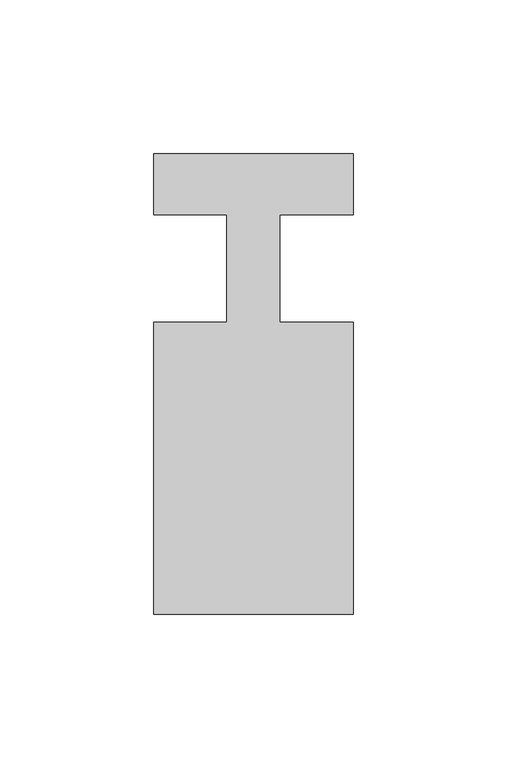
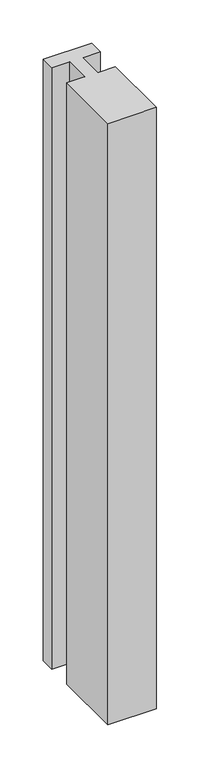
"""IFC4 building model written with IfcOpenShell, lengths in millimetres: member geometry."""

import ifcopenshell
import ifcopenshell.guid

model = None  # the IFC model being written
_history = None  # IfcOwnerHistory: only IFC2X3 demands one
_inside = {}  # id of a spatial element -> (the spatial element, [elements in it])
_under = {}  # id of a project, library or spatial element -> (it, [spatial elements below it])
_declared = {}  # id of a project -> (the project, [libraries it declares])
_typed = {}  # id of a type object -> (the type object, [elements of that type])
_made_of = {}  # id of a material, layer set ... -> (it, [elements and type objects made of it])


def new_model(schema):
    """Start an empty IFC model of exactly this schema.

    Asked for "IFC4X3", IfcOpenShell would pick the latest addendum, in which some entities
    have other attributes; the version numbers below select the first issue.
    IFC2X3 requires an IfcOwnerHistory on every rooted entity: one is made here for all.
    """
    global model, _history
    if schema == "IFC4X3":
        model = ifcopenshell.file(schema_version=(4, 3, 0, 0))
    else:
        model = ifcopenshell.file(schema=schema)
    _inside.clear()
    _under.clear()
    _declared.clear()
    _typed.clear()
    _made_of.clear()
    _history = None
    if model.schema == "IFC2X3":
        org = make("IfcOrganization", Name="unknown")
        user = make(
            "IfcPersonAndOrganization",
            ThePerson=make("IfcPerson", FamilyName="unknown"),
            TheOrganization=org,
        )
        app = make(
            "IfcApplication",
            ApplicationDeveloper=org,
            Version="unknown",
            ApplicationFullName="unknown",
            ApplicationIdentifier="unknown",
        )
        _history = make(
            "IfcOwnerHistory",
            OwningUser=user,
            OwningApplication=app,
            ChangeAction="ADDED",
            CreationDate=0,
        )
    return model


def make(cls, **values):
    """One entity of the class cls with the attributes given. An attribute that is None is left unset."""
    return model.create_entity(
        cls, **{name: value for name, value in values.items() if value is not None}
    )


def rooted(cls, **values):
    """An entity with a GlobalId (a new one), such as an element, a storey or a relation."""
    return make(cls, GlobalId=ifcopenshell.guid.new(), OwnerHistory=_history, **values)


def si_unit(unit_type, name, prefix=None):
    """IfcSIUnit, for example si_unit("LENGTHUNIT", "METRE", prefix="MILLI")."""
    return make("IfcSIUnit", UnitType=unit_type, Prefix=prefix, Name=name)


def assignment(units):
    """IfcUnitAssignment: the units of a project."""
    return None if units is None else make("IfcUnitAssignment", Units=units)


def point(xyz):
    """IfcCartesianPoint."""
    return None if xyz is None else make("IfcCartesianPoint", Coordinates=xyz)


def direction(xyz):
    """IfcDirection."""
    return None if xyz is None else make("IfcDirection", DirectionRatios=xyz)


def frame(location, z_axis=None, x_axis=None):
    """IfcAxis2Placement3D, a coordinate frame: its origin and axes. An axis left out is left unset."""
    return make(
        "IfcAxis2Placement3D",
        Location=point(location),
        Axis=direction(z_axis),
        RefDirection=direction(x_axis),
    )


def origin():
    """The frame at (0, 0, 0) with its axes left unset."""
    return frame((0.0, 0.0, 0.0))


def place(relative_to, where):
    """IfcLocalPlacement: puts the frame where relative to a parent placement (None: the world)."""
    return make(
        "IfcLocalPlacement", PlacementRelTo=relative_to, RelativePlacement=where
    )


def context(
    kind, dimensions, precision=None, world=None, true_north=None, identifier=None
):
    """IfcGeometricRepresentationContext, for example the 3D "Model" context."""
    return make(
        "IfcGeometricRepresentationContext",
        ContextIdentifier=identifier,
        ContextType=kind,
        CoordinateSpaceDimension=dimensions,
        Precision=precision,
        WorldCoordinateSystem=world,
        TrueNorth=true_north,
    )


def project(units=None, contexts=None):
    """IfcProject with its units and contexts."""
    return rooted(
        "IfcProject",
        Name="project",
        RepresentationContexts=contexts,
        UnitsInContext=assignment(units),
    )


def spatial(cls, under=None, at=None, **own):
    """A site, building, storey or space (cls), placed at a placement, below another one or the project."""
    s = rooted(cls, ObjectPlacement=at, **own)
    if under is not None:
        _under.setdefault(under.id(), (under, []))[1].append(s)
    return s


def polyline(points):
    """IfcPolyline through the points."""
    return make("IfcPolyline", Points=[point(p) for p in points])


def outline(outer, holes=None, kind="AREA"):
    """IfcArbitraryClosedProfileDef: a profile drawn as a closed curve; with holes, ...WithVoids."""
    if holes is None:
        return make("IfcArbitraryClosedProfileDef", ProfileType=kind, OuterCurve=outer)
    return make(
        "IfcArbitraryProfileDefWithVoids",
        ProfileType=kind,
        OuterCurve=outer,
        InnerCurves=holes,
    )


def extrude(swept, where, along, depth):
    """IfcExtrudedAreaSolid: the profile swept, set in the frame where, extruded along a direction by depth."""
    return make(
        "IfcExtrudedAreaSolid",
        SweptArea=swept,
        Position=where,
        ExtrudedDirection=direction(along),
        Depth=depth,
    )


def shape(context_of_items, identifier, shape_type, items):
    """IfcShapeRepresentation: the items that make up one representation, for example the "Body"."""
    return make(
        "IfcShapeRepresentation",
        ContextOfItems=context_of_items,
        RepresentationIdentifier=identifier,
        RepresentationType=shape_type,
        Items=items,
    )


def source(mapping_origin, context_of_items, identifier, shape_type, items):
    """IfcRepresentationMap: a shape defined once, which mapped items show again and again."""
    return make(
        "IfcRepresentationMap",
        MappingOrigin=mapping_origin,
        MappedRepresentation=shape(context_of_items, identifier, shape_type, items),
    )


def transform(
    local_origin,
    x_axis=None,
    y_axis=None,
    z_axis=None,
    scale=None,
    scale2=None,
    scale3=None,
    uniform=True,
):
    """IfcCartesianTransformationOperator3D, or its non-uniform kind. x_axis, y_axis, z_axis: its Axis1, 2, 3."""
    if uniform:
        return make(
            "IfcCartesianTransformationOperator3D",
            Axis1=direction(x_axis),
            Axis2=direction(y_axis),
            LocalOrigin=point(local_origin),
            Scale=scale,
            Axis3=direction(z_axis),
        )
    return make(
        "IfcCartesianTransformationOperator3DnonUniform",
        Axis1=direction(x_axis),
        Axis2=direction(y_axis),
        LocalOrigin=point(local_origin),
        Scale=scale,
        Axis3=direction(z_axis),
        Scale2=scale2,
        Scale3=scale3,
    )


def mapped(mapping_source, mapping_target):
    """IfcMappedItem: shows the shape of a source again, moved by a transform."""
    return make(
        "IfcMappedItem", MappingSource=mapping_source, MappingTarget=mapping_target
    )


def made_of(thing, what):
    """Note that an element or type object is made of a material, layer set ...; save() writes the relation."""
    if what is not None:
        _made_of.setdefault(what.id(), (what, []))[1].append(thing)
    return thing


def element(
    cls,
    number,
    at=None,
    inside=None,
    cuts=None,
    type_object=None,
    material=None,
    context=None,
    identifier="Body",
    shape_type=None,
    held_by="IfcProductDefinitionShape",
    body=None,
    shapes=None,
    **own,
):
    """One element of the class cls, such as IfcWall. Its Tag is "e" and its number.

    at: its placement. inside: the storey or other place that contains it. cuts: it is an
    opening in that element (IfcRelVoidsElement). A single representation is given by context,
    identifier, shape_type and body (its items); several are given by shapes. held_by: the class
    of the entity that holds the representations. save() writes the other relations.
    """
    e = rooted(cls, Tag="e%d" % number, ObjectPlacement=at, **own)
    if body is not None:
        shapes = [shape(context, identifier, shape_type, body)]
    if shapes is not None:
        e.Representation = make(held_by, Representations=shapes)
    if inside is not None:
        _inside.setdefault(inside.id(), (inside, []))[1].append(e)
    if cuts is not None:
        rooted(
            "IfcRelVoidsElement", RelatingBuildingElement=cuts, RelatedOpeningElement=e
        )
    if type_object is not None:
        _typed.setdefault(type_object.id(), (type_object, []))[1].append(e)
    return made_of(e, material)


def aggregate(whole, parts):
    """IfcRelAggregates: a whole, such as a stair, and the parts it consists of."""
    return rooted("IfcRelAggregates", RelatingObject=whole, RelatedObjects=parts)


def save(model, path):
    """Write the relations noted so far, then the file.

    IfcRelAggregates (storeys below a building ...), IfcRelContainedInSpatialStructure (elements
    in a storey), IfcRelDefinesByType, IfcRelAssociatesMaterial and IfcRelDeclares: one each for
    every whole, place, type object, material and project.
    """
    for whole, parts in _under.values():
        aggregate(whole, parts)
    for where, things in _inside.values():
        rooted(
            "IfcRelContainedInSpatialStructure",
            RelatedElements=things,
            RelatingStructure=where,
        )
    for kind, things in _typed.values():
        rooted("IfcRelDefinesByType", RelatedObjects=things, RelatingType=kind)
    for what, things in _made_of.values():
        rooted("IfcRelAssociatesMaterial", RelatedObjects=things, RelatingMaterial=what)
    for by, libraries in _declared.values():
        rooted("IfcRelDeclares", RelatingContext=by, RelatedDefinitions=libraries)
    model.write(path)


def member_1c61ba10(model_context):
    return source(origin(), model_context, "Body", "SweptSolid", [
        extrude(outline(polyline([(-32.5, 37.0), (32.5, 37.0), (32.5, 17.0), (8.6875, 17.0), (8.6875, -18.0), (32.5, -18.0), (32.5, -113.0), (-32.5, -113.0), (-32.5, -18.0), (-8.6875, -18.0), (-8.6875, 17.0), (-32.5, 17.0), (-32.5, 37.0)])), frame((0.0, 0.0, -850.2884118), z_axis=(0.0, 0.0, 1.0), x_axis=(1.0, 0.0, 0.0)), (0.0, 0.0, 1.0), 850.2884118),
    ])


if __name__ == "__main__":
    model = new_model("IFC4")
    model_context = context("Model", 3, world=origin())
    ifc_project = project(units=[si_unit("LENGTHUNIT", "METRE", prefix="MILLI")], contexts=[model_context])
    site = spatial("IfcSite", under=ifc_project)
    building = spatial("IfcBuilding", under=site)
    placement = place(None, origin())
    member_shape = member_1c61ba10(model_context)
    element("IfcMember", 1, at=placement, inside=building, context=model_context, shape_type="MappedRepresentation", body=[
        mapped(member_shape, transform((0.0, 0.0, 0.0), x_axis=(1.0, 0.0, 0.0), y_axis=(0.0, 1.0, 0.0), z_axis=(0.0, 0.0, 1.0))),
    ])
    save(model, "model.ifc")
